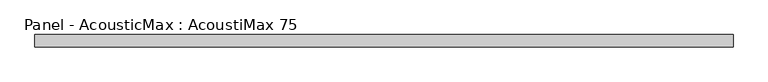
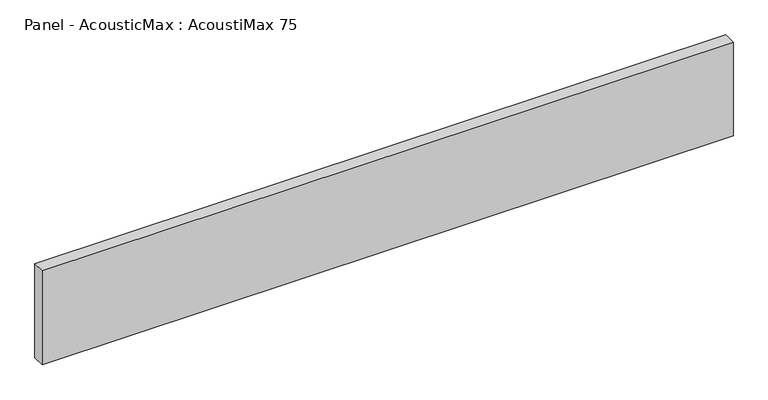
"""IFC4 building model written with IfcOpenShell, lengths in millimetres: plate geometry, Panel - AcousticMax : AcoustiMax 75."""

from ifc_helpers import new_model, si_unit, origin, origin_with_axes, place, context, project, spatial, polyline, outline, extrude, source, transform, mapped, element, save


def panel_acousticmax_acoustimax_75_3ce051dc(model_context):
    return source(origin(), model_context, "Body", "SweptSolid", [
        extrude(outline(polyline([(2091.0, 37.5), (2091.0, -37.5), (-2090.5, -37.5), (-2090.5, 37.5), (2091.0, 37.5)])), origin_with_axes(), (0.0, 0.0, 1.0), 600.0),
    ])


if __name__ == "__main__":
    model = new_model("IFC4")
    model_context = context("Model", 3, world=origin())
    ifc_project = project(units=[si_unit("LENGTHUNIT", "METRE", prefix="MILLI")], contexts=[model_context])
    site = spatial("IfcSite", under=ifc_project)
    building = spatial("IfcBuilding", under=site)
    placement = place(None, origin())
    panel_acousticmax_acoustimax_75_shape = panel_acousticmax_acoustimax_75_3ce051dc(model_context)
    element("IfcPlate", 1, ObjectType="Panel - AcousticMax : AcoustiMax 75", at=placement, inside=building, context=model_context, shape_type="MappedRepresentation", body=[
        mapped(panel_acousticmax_acoustimax_75_shape, transform((0.0, 0.0, 0.0), x_axis=(1.0, 0.0, 0.0), y_axis=(0.0, 1.0, 0.0), z_axis=(0.0, 0.0, 1.0))),
    ])
    save(model, "model.ifc")
